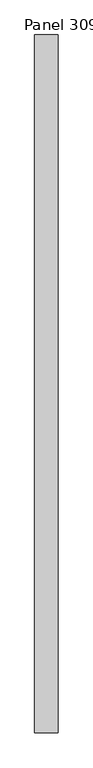
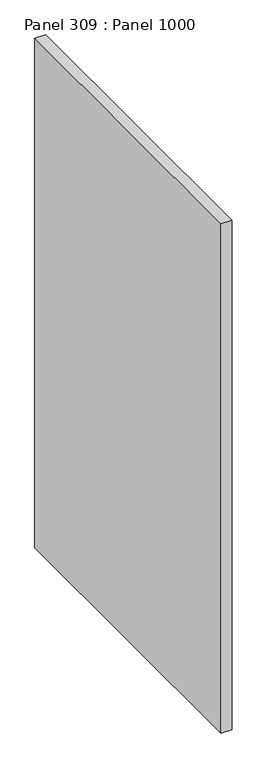
"""IFC4 building model written with IfcOpenShell, lengths in millimetres: proxy geometry, Panel 309 : Panel 1000."""

from ifc_helpers import new_model, si_unit, frame, origin, place, context, project, spatial, polyline, outline, extrude, source, transform, mapped, element, save


def panel_309_panel_1000_343651b4(model_context):
    return source(origin(), model_context, "Body", "SweptSolid", [
        extrude(outline(polyline([(39817.4760101, 339805.7854601), (39767.4759679, 339805.7854597), (39767.4760219, 341305.7854597), (39817.476064, 341305.7854601), (39817.4760101, 339805.7854601)])), frame((0.0, 0.0, 34575.0), z_axis=(0.0, 0.0, 1.0), x_axis=(1.0, 0.0, 0.0)), (0.0, 0.0, 1.0), 2500.0),
    ])


if __name__ == "__main__":
    model = new_model("IFC4")
    model_context = context("Model", 3, world=origin())
    ifc_project = project(units=[si_unit("LENGTHUNIT", "METRE", prefix="MILLI")], contexts=[model_context])
    site = spatial("IfcSite", under=ifc_project)
    building = spatial("IfcBuilding", under=site)
    placement = place(None, origin())
    panel_309_panel_1000_shape = panel_309_panel_1000_343651b4(model_context)
    element("IfcBuildingElementProxy", 1, Name="Panel 309 : Panel 1000", ObjectType="Panel 309 : Panel 1000", at=placement, inside=building, context=model_context, shape_type="MappedRepresentation", body=[
        mapped(panel_309_panel_1000_shape, transform((0.0, 0.0, 0.0), x_axis=(1.0, 0.0, 0.0), y_axis=(0.0, 1.0, 0.0), z_axis=(0.0, 0.0, 1.0))),
    ])
    save(model, "model.ifc")
